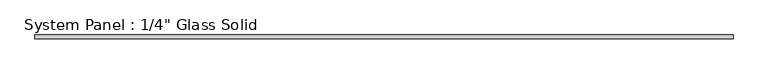
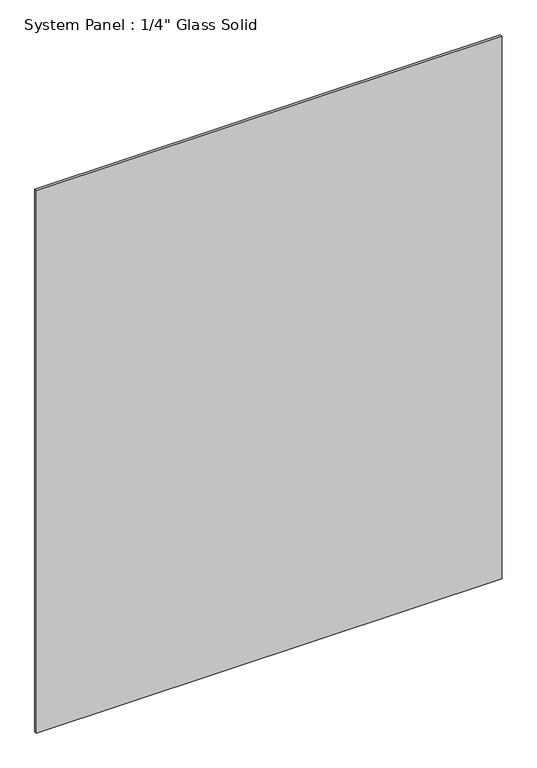
"""IFC4 building model written with IfcOpenShell, lengths in millimetres: plate geometry."""

from ifc_helpers import new_model, si_unit, origin, origin_with_axes, place, context, project, spatial, polyline, outline, extrude, source, transform, mapped, element, save


def plate_ce588dd2(model_context):
    return source(origin(), model_context, "Body", "SweptSolid", [
        extrude(outline(polyline([(577.8508852, -3.175), (-577.8508852, -3.175), (-577.8508852, 3.175), (577.8508852, 3.175), (577.8508852, -3.175)])), origin_with_axes(), (0.0, 0.0, 1.0), 1422.2894027),
    ])


if __name__ == "__main__":
    model = new_model("IFC4")
    model_context = context("Model", 3, world=origin())
    ifc_project = project(units=[si_unit("LENGTHUNIT", "METRE", prefix="MILLI")], contexts=[model_context])
    site = spatial("IfcSite", under=ifc_project)
    building = spatial("IfcBuilding", under=site)
    placement = place(None, origin())
    plate_shape = plate_ce588dd2(model_context)
    element("IfcPlate", 1, ObjectType="System Panel : 1/4\" Glass Solid", at=placement, inside=building, context=model_context, shape_type="MappedRepresentation", body=[
        mapped(plate_shape, transform((0.0, 0.0, 0.0), x_axis=(1.0, 0.0, 0.0), y_axis=(0.0, 1.0, 0.0), z_axis=(0.0, 0.0, 1.0))),
    ])
    save(model, "model.ifc")
